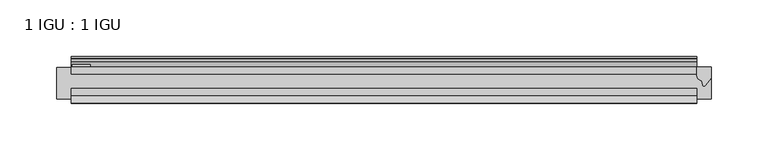
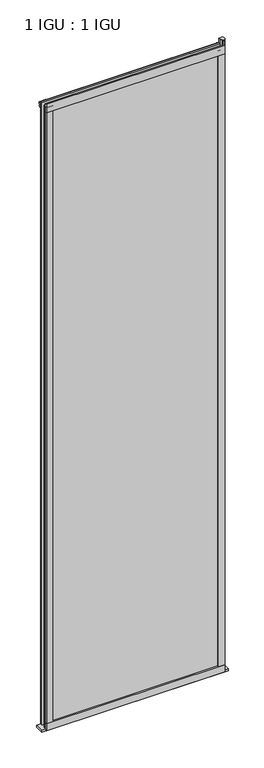
"""IFC4 building model written with IfcOpenShell, lengths in millimetres: plate geometry, 1 IGU : 1 IGU."""

from ifc_helpers import new_model, si_unit, point, frame, frame_2d, origin, place, context, project, spatial, polyline, circle_curve, trimmed, segment, composite_curve, outline, extrude, source, transform, mapped, element, save


def plate_1_igu_1_igu_86cc2f2c(model_context):
    return source(origin(), model_context, "Body", "SweptSolid", [
        extrude(outline(polyline([(276.2170252, 0.0021347), (276.2170252, -6.2992), (-276.2170252, -6.2992), (-276.2170252, 0.0021347), (276.2170252, 0.0021347)])), frame((0.0, 0.0, -19.05), z_axis=(0.0, 0.0, 1.0), x_axis=(1.0, 0.0, 0.0)), (0.0, 0.0, 1.0), 2036.7498001),
        extrude(outline(polyline([(-276.2170252, -19.0986653), (276.2170252, -19.0986653), (276.2170252, -25.3978653), (-276.2170252, -25.3978653), (-276.2170252, -19.0986653)])), frame((0.0, 0.0, -19.05), z_axis=(0.0, 0.0, 1.0), x_axis=(1.0, 0.0, 0.0)), (0.0, 0.0, 1.0), 2036.7498001),
        extrude(outline(composite_curve([segment(trimmed(circle_curve(frame_2d((10.9021792, -22.6833935)), 11.4916952), [point((0.0, -19.05))], [point((-0.2638007, -25.4))], True, "CARTESIAN"), True, "CONTINUOUS"), segment(polyline([(-0.2638007, -25.4), (-27.9952564, -25.4), (-27.9952564, -19.05), (0.0, -19.05)]), True, "CONTINUOUS")], self_intersect=False)), frame((-288.9170252, 0.0, 0.0), z_axis=(1.0, 0.0, 0.0), x_axis=(0.0, 1.0, 0.0)), (0.0, 0.0, 1.0), 577.8340504),
        extrude(outline(composite_curve([segment(polyline([(288.9170252, 0.0), (288.9170252, -9.7395025), (283.3507943, -16.3730781)]), True, "CONTINUOUS"), segment(trimmed(circle_curve(frame_2d((282.3971193, -15.7728374)), 1.1268473), [point((283.3507943, -16.3730781))], [point((281.2961664, -16.0130197))], False, "CARTESIAN"), True, "CONTINUOUS"), segment(polyline([(281.2961664, -16.0130197), (280.3159749, -11.7377885)]), True, "CONTINUOUS"), segment(trimmed(circle_curve(frame_2d((280.1885231, -7.7683362)), 3.9714979), [point((280.3159749, -11.7377885))], [point((276.2172038, -7.8060014))], False, "CARTESIAN"), True, "CONTINUOUS"), segment(polyline([(276.2172038, -7.8060014), (276.2172038, 0.0), (288.9170252, 0.0)]), True, "CONTINUOUS")], self_intersect=False)), frame((0.0, 0.0, -19.05), z_axis=(0.0, 0.0, 1.0), x_axis=(1.0, 0.0, 0.0)), (0.0, 0.0, 1.0), 2051.8374001),
        extrude(outline(composite_curve([segment(polyline([(-31.75, 0.0), (-25.4, 0.0), (-25.4, -22.225)]), True, "CONTINUOUS"), segment(trimmed(circle_curve(frame_2d((-28.575, -28.9113452)), 7.4018806), [point((-25.4, -22.225))], [point((-31.75, -22.225))], True, "CARTESIAN"), True, "CONTINUOUS"), segment(polyline([(-31.75, -22.225), (-31.75, 0.0)]), True, "CONTINUOUS")], self_intersect=False)), frame((-276.2170252, 0.0, 0.0), z_axis=(1.0, 0.0, 0.0), x_axis=(0.0, 1.0, 0.0)), (0.0, 0.0, 1.0), 552.4340504),
        extrude(outline(composite_curve([segment(trimmed(circle_curve(frame_2d((-23.3689302, 2041.8664901)), 40.3187601), [point((0.0, 2009.0108131))], [point((4.9746073, 2013.1916528))], True, "CARTESIAN"), True, "CONTINUOUS"), segment(trimmed(circle_curve(frame_2d((5.8674, 2012.2884246)), 1.27), [point((4.9746073, 2013.1916528))], [point((7.1374, 2012.2884246))], False, "CARTESIAN"), True, "CONTINUOUS"), segment(polyline([(7.1374, 2012.2884246), (7.1374, 2007.8876169), (7.7309478, 2005.6724663), (6.35, 2005.4379789), (6.35, 2000.2500001), (9.3980339, 2000.2500001), (9.3980339, 1998.8684051)]), True, "CONTINUOUS"), segment(trimmed(circle_curve(frame_2d((13.6593785, 1967.8551528)), 31.3046461), [point((9.3980339, 1998.8684051))], [point((0.0, 1996.0225498))], True, "CARTESIAN"), True, "CONTINUOUS"), segment(polyline([(0.0, 1996.0225498), (0.0, 2009.0108131)]), True, "CONTINUOUS")], self_intersect=False)), frame((-276.2170252, 0.0, 0.0), z_axis=(1.0, 0.0, 0.0), x_axis=(0.0, 1.0, 0.0)), (0.0, 0.0, 1.0), 552.4340504),
        extrude(outline(composite_curve([segment(polyline([(-25.4, 2025.6500001), (-25.4, 2000.2500001), (-31.75, 2000.2500001), (-31.75, 2028.4228974)]), True, "CONTINUOUS"), segment(trimmed(circle_curve(frame_2d((-24.1401272, 2037.1924116)), 11.6109665), [point((-31.75, 2028.4228974))], [point((-25.4, 2025.6500001))], True, "CARTESIAN"), True, "CONTINUOUS")], self_intersect=False)), frame((-276.2170252, 0.0, 0.0), z_axis=(1.0, 0.0, 0.0), x_axis=(0.0, 1.0, 0.0)), (0.0, 0.0, 1.0), 552.4340504),
        extrude(outline(composite_curve([segment(polyline([(257.1670252, -25.4), (276.2170252, -25.4)]), True, "CONTINUOUS"), segment(trimmed(circle_curve(frame_2d((285.6831759, -28.575)), 9.9844196), [point((276.2170252, -25.4))], [point((276.2170252, -31.75))], True, "CARTESIAN"), True, "CONTINUOUS"), segment(polyline([(276.2170252, -31.75), (257.1670252, -31.75), (257.1670252, -25.4)]), True, "CONTINUOUS")], self_intersect=False)), frame((0.0, 0.0, -19.05), z_axis=(0.0, 0.0, 1.0), x_axis=(1.0, 0.0, 0.0)), (0.0, 0.0, 1.0), 2036.7498001),
        extrude(outline(composite_curve([segment(trimmed(circle_curve(frame_2d((-285.6831759, -28.575)), 9.9844196), [point((-276.2170252, -31.75))], [point((-276.2170252, -25.4))], True, "CARTESIAN"), True, "CONTINUOUS"), segment(polyline([(-276.2170252, -25.4), (-257.1670252, -25.4), (-257.1670252, -31.75), (-276.2170252, -31.75)]), True, "CONTINUOUS")], self_intersect=False)), frame((0.0, 0.0, -19.05), z_axis=(0.0, 0.0, 1.0), x_axis=(1.0, 0.0, 0.0)), (0.0, 0.0, 1.0), 2036.7498001),
        extrude(outline(polyline([(-275.0105252, 0.0), (-275.0105252, 2.286), (-259.1355252, 2.286), (-259.1355252, 0.0), (-275.0105252, 0.0)])), frame((0.0, 0.0, -19.05), z_axis=(0.0, 0.0, 1.0), x_axis=(1.0, 0.0, 0.0)), (0.0, 0.0, 1.0), 2036.7498001),
    ])


if __name__ == "__main__":
    model = new_model("IFC4")
    model_context = context("Model", 3, world=origin())
    ifc_project = project(units=[si_unit("LENGTHUNIT", "METRE", prefix="MILLI")], contexts=[model_context])
    site = spatial("IfcSite", under=ifc_project)
    building = spatial("IfcBuilding", under=site)
    placement = place(None, origin())
    plate_1_igu_1_igu_shape = plate_1_igu_1_igu_86cc2f2c(model_context)
    element("IfcPlate", 1, ObjectType="1 IGU : 1 IGU", at=placement, inside=building, context=model_context, shape_type="MappedRepresentation", body=[
        mapped(plate_1_igu_1_igu_shape, transform((0.0, 0.0, 0.0), x_axis=(1.0, 0.0, 0.0), y_axis=(0.0, 1.0, 0.0), z_axis=(0.0, 0.0, 1.0))),
    ])
    save(model, "model.ifc")
